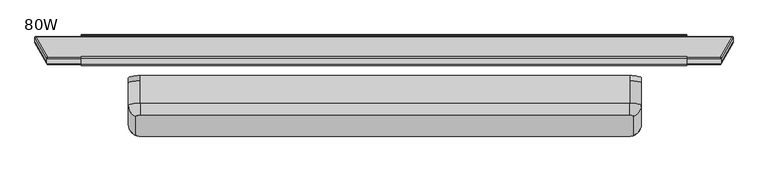
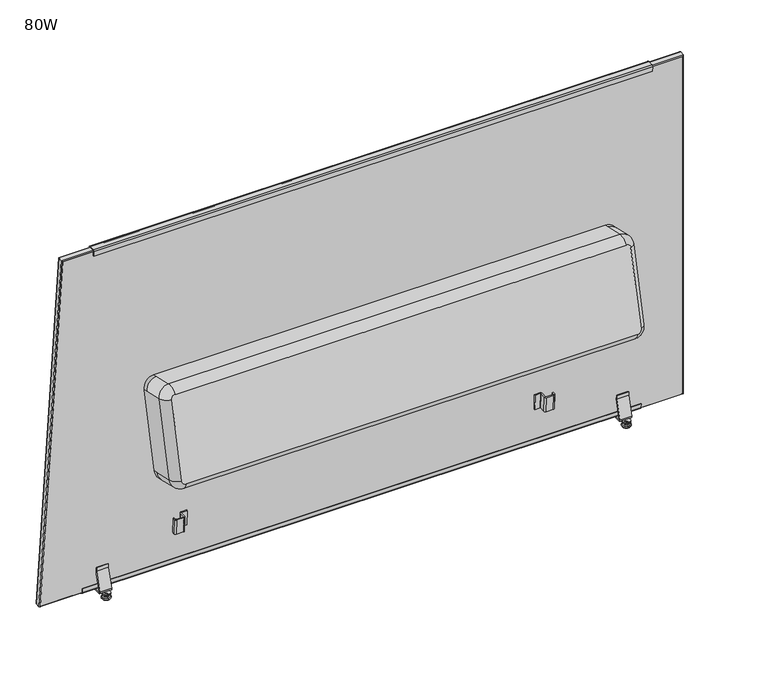
"""IFC4 building model written with IfcOpenShell, lengths in millimetres: furniture geometry, 80W."""

from ifc_helpers import new_model, si_unit, point, frame, frame_2d, origin, place, context, project, spatial, polyline, circle_curve, ellipse_curve, trimmed, segment, composite_curve, outline, extrude, source, transform, mapped, element, save
from ifc_brep_helpers import plane_surface, cylinder_surface, revolved_surface, advanced_brep


def furniture_80w_4e92a0e4(model_context):
    return source(origin(), model_context, "Body", "SolidModel", [
        extrude(outline(composite_curve([segment(polyline([(0.0, 2.7618542), (-8.1440729, 2.7618542), (-8.1440729, 5.809597), (-0.7084718, 5.809597)]), True, "CONTINUOUS"), segment(trimmed(circle_curve(frame_2d((-0.7084718, 0.6723218)), 5.1372751), [point((-0.7084718, 5.809597))], [point((4.4288032, 0.6723231))], False, "CARTESIAN"), True, "CONTINUOUS"), segment(polyline([(4.4288032, 0.6723231), (4.428809, -22.1894796)]), True, "CONTINUOUS"), segment(trimmed(circle_curve(frame_2d((-0.2870618, -22.1894808)), 4.7158708), [point((4.428809, -22.1894796))], [point((-0.2870618, -26.9053517))], False, "CARTESIAN"), True, "CONTINUOUS"), segment(polyline([(-0.2870618, -26.9053517), (-18.3514573, -26.9053517)]), True, "CONTINUOUS"), segment(trimmed(circle_curve(frame_2d((-18.3514573, -28.2553938)), 1.3500421), [point((-18.3514573, -26.9053517))], [point((-19.7014994, -28.2553941))], True, "CARTESIAN"), True, "CONTINUOUS"), segment(polyline([(-19.7014994, -28.2553941), (-19.7014948, -46.082609), (-22.7508969, -46.082609), (-22.7508969, -28.6619926)]), True, "CONTINUOUS"), segment(trimmed(circle_curve(frame_2d((-17.9462587, -28.6619926)), 4.8046382), [point((-22.7508969, -28.6619926))], [point((-17.9462587, -23.8573544))], False, "CARTESIAN"), True, "CONTINUOUS"), segment(polyline([(-17.9462587, -23.8573544), (0.0128467, -23.8573544)]), True, "CONTINUOUS"), segment(trimmed(circle_curve(frame_2d((0.0128467, -22.489268)), 1.3680864), [point((0.0128467, -23.8573544))], [point((1.3809331, -22.4892676))], True, "CARTESIAN"), True, "CONTINUOUS"), segment(polyline([(1.3809331, -22.4892676), (1.3809271, 1.3809275)]), True, "CONTINUOUS"), segment(trimmed(circle_curve(frame_2d((0.0, 1.3809271)), 1.3809271), [point((1.3809271, 1.3809275))], [point((0.0, 2.7618542))], True, "CARTESIAN"), True, "CONTINUOUS")], self_intersect=False)), frame((1590.6345165, -32.3737244, 144.3796724), z_axis=(0.0, -0.05233595624294945, 0.9986295347545736), x_axis=(0.0, -0.9986295347545736, -0.05233595624294945)), (0.0, 0.0, 1.0), 50.4083184),
        extrude(outline(composite_curve([segment(polyline([(0.0, 2.7618542), (-8.144073, 2.7618542), (-8.144073, 5.809597), (-0.7084719, 5.809597)]), True, "CONTINUOUS"), segment(trimmed(circle_curve(frame_2d((-0.7084719, 0.6723218)), 5.1372751), [point((-0.7084719, 5.809597))], [point((4.4288032, 0.6723231))], False, "CARTESIAN"), True, "CONTINUOUS"), segment(polyline([(4.4288032, 0.6723231), (4.428809, -22.1894719)]), True, "CONTINUOUS"), segment(trimmed(circle_curve(frame_2d((-0.2870619, -22.1894731)), 4.7158708), [point((4.428809, -22.1894719))], [point((-0.2870619, -26.9053439))], False, "CARTESIAN"), True, "CONTINUOUS"), segment(polyline([(-0.2870619, -26.9053439), (-30.2577073, -26.9053439)]), True, "CONTINUOUS"), segment(trimmed(circle_curve(frame_2d((-30.2577073, -28.255386)), 1.3500421), [point((-30.2577073, -26.9053439))], [point((-31.6077494, -28.2553863))], True, "CARTESIAN"), True, "CONTINUOUS"), segment(polyline([(-31.6077494, -28.2553863), (-31.6077448, -46.0826012), (-34.6571469, -46.0826012), (-34.6571469, -28.6619848)]), True, "CONTINUOUS"), segment(trimmed(circle_curve(frame_2d((-29.8525087, -28.6619848)), 4.8046382), [point((-34.6571469, -28.6619848))], [point((-29.8525087, -23.8573466))], False, "CARTESIAN"), True, "CONTINUOUS"), segment(polyline([(-29.8525087, -23.8573466), (0.0128467, -23.8573466)]), True, "CONTINUOUS"), segment(trimmed(circle_curve(frame_2d((0.0128467, -22.4892602)), 1.3680864), [point((0.0128467, -23.8573466))], [point((1.3809331, -22.4892599))], True, "CARTESIAN"), True, "CONTINUOUS"), segment(polyline([(1.3809331, -22.4892599), (1.380927, 1.3809275)]), True, "CONTINUOUS"), segment(trimmed(circle_curve(frame_2d((0.0, 1.3809271)), 1.3809271), [point((1.380927, 1.3809275))], [point((0.0, 2.7618542))], True, "CARTESIAN"), True, "CONTINUOUS")], self_intersect=False)), frame((1591.0313915, -51.2771859, 562.9379975), z_axis=(0.0, -0.08715574274766424, 0.996194698091745), x_axis=(0.0, -0.996194698091745, -0.08715574274766424)), (0.0, 0.0, 1.0), 51.1352235),
        extrude(outline(composite_curve([segment(trimmed(circle_curve(frame_2d((2.2023575, 23.9777383)), 4.6118092), [point((2.4039227, 19.3703361))], [point((-2.4031314, 23.7363749))], False, "CARTESIAN"), True, "CONTINUOUS"), segment(polyline([(-2.4031314, 23.7363749), (-3.1606988, 38.1916228), (-0.8769993, 38.3113064), (-0.1192392, 23.8523818)]), True, "CONTINUOUS"), segment(trimmed(circle_curve(frame_2d((2.1627609, 23.9719763)), 2.285132), [point((-0.1192392, 23.8523818))], [point((2.2823555, 21.689976))], True, "CARTESIAN"), True, "CONTINUOUS"), segment(polyline([(2.2823555, 21.689976), (18.7703484, 22.5540751)]), True, "CONTINUOUS"), segment(trimmed(circle_curve(frame_2d((18.6507538, 24.8360754)), 2.285132), [point((18.7703484, 22.5540751))], [point((20.9327541, 24.95567))], True, "CARTESIAN"), True, "CONTINUOUS"), segment(polyline([(20.9327541, 24.95567), (20.1749938, 39.4145946), (22.4585421, 39.5342703), (23.2162566, 25.0762164)]), True, "CONTINUOUS"), segment(trimmed(circle_curve(frame_2d((18.6526375, 24.800132)), 4.5719626), [point((23.2162566, 25.0762164))], [point((18.8919156, 20.2344351))], False, "CARTESIAN"), True, "CONTINUOUS"), segment(polyline([(18.8919156, 20.2344351), (2.4039227, 19.3703361)]), True, "CONTINUOUS")], self_intersect=False)), frame((91.8930192, 0.0, 0.0), z_axis=(1.0, 0.0, 0.0), x_axis=(0.0, 1.0, 0.0)), (0.0, 0.0, 1.0), 1801.5677456),
        extrude(outline(composite_curve([segment(trimmed(circle_curve(frame_2d((8.144073, 1.3809271)), 1.3809271), [point((8.144073, 0.0))], [point((9.525, 1.3809267))], True, "CARTESIAN"), True, "CONTINUOUS"), segment(polyline([(9.525, 1.3809267), (9.525006, 25.2511141)]), True, "CONTINUOUS"), segment(trimmed(circle_curve(frame_2d((8.1569196, 25.2511144)), 1.3680864), [point((9.525006, 25.2511141))], [point((8.1569196, 26.6192008))], True, "CARTESIAN"), True, "CONTINUOUS"), segment(polyline([(8.1569196, 26.6192008), (-21.7084358, 26.6192008)]), True, "CONTINUOUS"), segment(trimmed(circle_curve(frame_2d((-21.7084358, 31.423839)), 4.8046382), [point((-21.7084358, 26.6192008))], [point((-26.513074, 31.423839))], False, "CARTESIAN"), True, "CONTINUOUS"), segment(polyline([(-26.513074, 31.423839), (-26.513074, 48.8444554), (-23.4636719, 48.8444554), (-23.4636765, 31.0172405)]), True, "CONTINUOUS"), segment(trimmed(circle_curve(frame_2d((-22.1136344, 31.0172402)), 1.3500421), [point((-23.4636765, 31.0172405))], [point((-22.1136344, 29.6671981))], True, "CARTESIAN"), True, "CONTINUOUS"), segment(polyline([(-22.1136344, 29.6671981), (7.8570111, 29.6671981)]), True, "CONTINUOUS"), segment(trimmed(circle_curve(frame_2d((7.8570111, 24.9513273)), 4.7158708), [point((7.8570111, 29.6671981))], [point((12.5728819, 24.9513261))], False, "CARTESIAN"), True, "CONTINUOUS"), segment(polyline([(12.5728819, 24.9513261), (12.5728762, 2.0895311)]), True, "CONTINUOUS"), segment(trimmed(circle_curve(frame_2d((7.4356011, 2.0895324)), 5.1372751), [point((12.5728762, 2.0895311))], [point((7.4356011, -3.0477428))], False, "CARTESIAN"), True, "CONTINUOUS"), segment(polyline([(7.4356011, -3.0477428), (0.0, -3.0477428), (0.0, 0.0), (8.144073, 0.0)]), True, "CONTINUOUS")], self_intersect=False)), frame((373.9130043, -43.1641036, 563.6478002), z_axis=(0.0, -0.08715574274766426, 0.996194698091745), x_axis=(0.0, -0.996194698091745, -0.08715574274766426)), (0.0, 0.0, 1.0), 51.1352235),
        extrude(outline(composite_curve([segment(trimmed(circle_curve(frame_2d((8.1440729, 1.3809271)), 1.3809271), [point((8.1440729, 0.0))], [point((9.525, 1.3809267))], True, "CARTESIAN"), True, "CONTINUOUS"), segment(polyline([(9.525, 1.3809267), (9.525006, 25.2511218)]), True, "CONTINUOUS"), segment(trimmed(circle_curve(frame_2d((8.1569196, 25.2511222)), 1.3680864), [point((9.525006, 25.2511218))], [point((8.1569196, 26.6192086))], True, "CARTESIAN"), True, "CONTINUOUS"), segment(polyline([(8.1569196, 26.6192086), (-9.8021859, 26.6192086)]), True, "CONTINUOUS"), segment(trimmed(circle_curve(frame_2d((-9.8021859, 31.4238468)), 4.8046382), [point((-9.8021859, 26.6192086))], [point((-14.606824, 31.4238468))], False, "CARTESIAN"), True, "CONTINUOUS"), segment(polyline([(-14.606824, 31.4238468), (-14.606824, 48.8444632), (-11.5574219, 48.8444632), (-11.5574266, 31.0172483)]), True, "CONTINUOUS"), segment(trimmed(circle_curve(frame_2d((-10.2073845, 31.017248)), 1.3500421), [point((-11.5574266, 31.0172483))], [point((-10.2073845, 29.6672059))], True, "CARTESIAN"), True, "CONTINUOUS"), segment(polyline([(-10.2073845, 29.6672059), (7.8570111, 29.6672059)]), True, "CONTINUOUS"), segment(trimmed(circle_curve(frame_2d((7.8570111, 24.951335)), 4.7158708), [point((7.8570111, 29.6672059))], [point((12.5728819, 24.9513338))], False, "CARTESIAN"), True, "CONTINUOUS"), segment(polyline([(12.5728819, 24.9513338), (12.5728761, 2.0895311)]), True, "CONTINUOUS"), segment(trimmed(circle_curve(frame_2d((7.435601, 2.0895324)), 5.1372751), [point((12.5728761, 2.0895311))], [point((7.435601, -3.0477428))], False, "CARTESIAN"), True, "CONTINUOUS"), segment(polyline([(7.435601, -3.0477428), (0.0, -3.0477428), (0.0, 0.0), (8.1440729, 0.0)]), True, "CONTINUOUS")], self_intersect=False)), frame((373.9130043, -24.2408127, 144.8059002), z_axis=(0.0, -0.05233595624294945, 0.9986295347545736), x_axis=(0.0, -0.9986295347545736, -0.05233595624294945)), (0.0, 0.0, 1.0), 50.4083184),
        extrude(outline(composite_curve([segment(polyline([(18.5911719, 20.5975436), (18.5911719, 36.4727737), (22.0080176, 36.4727737), (22.0080176, 22.1226629)]), True, "CONTINUOUS"), segment(trimmed(circle_curve(frame_2d((17.0817223, 22.1226629)), 4.9262954), [point((22.0080176, 22.1226629))], [point((17.0817223, 17.1963676))], False, "CARTESIAN"), True, "CONTINUOUS"), segment(polyline([(17.0817223, 17.1963676), (-20.9377121, 17.1963676)]), True, "CONTINUOUS"), segment(trimmed(circle_curve(frame_2d((-20.9377121, 22.4139285)), 5.217561), [point((-20.9377121, 17.1963676))], [point((-25.9416036, 23.891769))], False, "CARTESIAN"), True, "CONTINUOUS"), segment(polyline([(-25.9416036, 23.891769), (-8.0168765, 84.5839696), (-8.0168765, 96.8063842), (-4.5957637, 96.8063842), (-4.5957637, 83.9990238), (-22.7108138, 22.6623993)]), True, "CONTINUOUS"), segment(trimmed(circle_curve(frame_2d((-21.1676183, 22.2066346)), 1.609091), [point((-22.7108138, 22.6623993))], [point((-21.1676183, 20.5975436))], True, "CARTESIAN"), True, "CONTINUOUS"), segment(polyline([(-21.1676183, 20.5975436), (18.5911719, 20.5975436)]), True, "CONTINUOUS")], self_intersect=False)), frame((1812.1384343, 0.0, 0.0), z_axis=(1.0, 0.0, 0.0), x_axis=(0.0, 1.0, 0.0)), (0.0, 0.0, 1.0), 38.1),
        extrude(outline(composite_curve([segment(polyline([(1821.7965171, -20.4707637), (1840.209581, -20.4707637)]), True, "CONTINUOUS"), segment(trimmed(circle_curve(frame_2d((1828.211079, -29.5612365)), 15.0532637), [point((1840.209581, -20.4707637))], [point((1841.2938431, -37.0071769))], False, "CARTESIAN"), True, "CONTINUOUS"), segment(polyline([(1841.2938431, -37.0071769), (1820.7122549, -37.0071769)]), True, "CONTINUOUS"), segment(trimmed(circle_curve(frame_2d((1833.7950191, -29.5612365)), 15.0532637), [point((1820.7122549, -37.0071769))], [point((1821.7965171, -20.4707637))], False, "CARTESIAN"), True, "CONTINUOUS")], self_intersect=False)), frame((0.0, 0.0, 13.858606), z_axis=(0.0, 0.0, 1.0), x_axis=(1.0, 0.0, 0.0)), (0.0, 0.0, 1.0), 3.3377616),
        advanced_brep(
        [(1831.1884343, -32.5853659, 13.858606), (1831.1884343, -24.7880793, 13.858606), (1831.1884343, -25.375017, 14.8752118), (1831.1884343, -31.9984282, 14.8752118), (1831.1884343, -36.6173395, 11.2402116), (1831.1884343, -20.7561056, 11.2402116), (1831.1884343, -36.6173395, 8.74896), (1831.1884343, -20.7561056, 8.74896), (1831.1884343, -35.0356704, 8.74896), (1831.1884343, -22.3377748, 8.74896), (1831.1884343, -39.8952895, 5.9432577), (1831.1884343, -17.4781557, 5.9432577), (1831.1884343, -43.0859452, 3.5556814), (1831.1884343, -14.2875, 3.5556814), (1831.1884343, -41.0330539, 0.0), (1831.1884343, -16.3403912, 0.0), (1831.1884343, -28.6867226, 0.0), (1831.1884343, -32.6380713, 17.1963676), (1831.1884343, -24.7353739, 17.1963676), (1831.1884343, -28.6867226, 17.1963676), (1831.1884343, -32.6380713, 15.514855), (1831.1884343, -24.7353739, 15.514855)],
        [
            (0, 1, circle_curve(frame((1831.1884343, -28.6867226, 13.858606), z_axis=(0.0, 0.0, 1.0), x_axis=(0.0, 1.0, 0.0)), 3.8986433)),
            (1, 2),
            (2, 3, circle_curve(frame((1831.1884343, -28.6867226, 14.8752118), z_axis=(0.0, 0.0, -1.0), x_axis=(0.0, 1.0, 0.0)), 3.3117056)),
            (3, 0),
            (1, 0, circle_curve(frame((1831.1884343, -28.6867226, 13.858606), z_axis=(0.0, 0.0, 1.0), x_axis=(0.0, 1.0, 0.0)), 3.8986433)),
            (3, 2, circle_curve(frame((1831.1884343, -28.6867226, 14.8752118), z_axis=(0.0, 0.0, -1.0), x_axis=(0.0, 1.0, 0.0)), 3.3117056)),
            (4, 5, circle_curve(frame((1831.1884343, -28.6867226, 11.2402116), z_axis=(0.0, 0.0, 1.0), x_axis=(0.0, 1.0, 0.0)), 7.930617)),
            (5, 1),
            (0, 4),
            (5, 4, circle_curve(frame((1831.1884343, -28.6867226, 11.2402116), z_axis=(0.0, 0.0, 1.0), x_axis=(0.0, 1.0, 0.0)), 7.930617)),
            (6, 7, circle_curve(frame((1831.1884343, -28.6867226, 8.74896), z_axis=(0.0, 0.0, 1.0), x_axis=(0.0, 1.0, 0.0)), 7.930617)),
            (7, 5),
            (4, 6),
            (7, 6, circle_curve(frame((1831.1884343, -28.6867226, 8.74896), z_axis=(0.0, 0.0, 1.0), x_axis=(0.0, 1.0, 0.0)), 7.930617)),
            (8, 9, circle_curve(frame((1831.1884343, -28.6867226, 8.74896), z_axis=(0.0, 0.0, 1.0), x_axis=(0.0, 1.0, 0.0)), 6.3489478)),
            (9, 7),
            (6, 8),
            (9, 8, circle_curve(frame((1831.1884343, -28.6867226, 8.74896), z_axis=(0.0, 0.0, 1.0), x_axis=(0.0, 1.0, 0.0)), 6.3489478)),
            (10, 11, circle_curve(frame((1831.1884343, -28.6867226, 5.9432577), z_axis=(0.0, 0.0, 1.0), x_axis=(0.0, 1.0, 0.0)), 11.2085669)),
            (11, 9, circle_curve(frame((1831.1884343, -17.8255298, 10.9529929), z_axis=(-1.0, 0.0, 0.0), x_axis=(0.0, -1.0, 0.0)), 5.0217642)),
            (8, 10, circle_curve(frame((1831.1884343, -39.5479154, 10.9529929), z_axis=(-1.0, 0.0, 0.0), x_axis=(0.0, 1.0, 0.0)), 5.0217642)),
            (11, 10, circle_curve(frame((1831.1884343, -28.6867226, 5.9432577), z_axis=(0.0, 0.0, 1.0), x_axis=(0.0, 1.0, 0.0)), 11.2085669)),
            (12, 13, circle_curve(frame((1831.1884343, -28.6867226, 3.5556814), z_axis=(0.0, 0.0, 1.0), x_axis=(0.0, 1.0, 0.0)), 14.3992226)),
            (13, 11, circle_curve(frame((1831.1884343, -17.2671075, 2.8995769), z_axis=(1.0, 0.0, 0.0), x_axis=(0.0, -1.0, 0.0)), 3.050989)),
            (10, 12, circle_curve(frame((1831.1884343, -40.1063377, 2.8995769), z_axis=(1.0, 0.0, 0.0), x_axis=(0.0, 1.0, 0.0)), 3.050989)),
            (13, 12, circle_curve(frame((1831.1884343, -28.6867226, 3.5556814), z_axis=(0.0, 0.0, 1.0), x_axis=(0.0, 1.0, 0.0)), 14.3992226)),
            (14, 15, circle_curve(frame((1831.1884343, -28.6867226, 0.0), z_axis=(0.0, 0.0, 1.0), x_axis=(0.0, 1.0, 0.0)), 12.3463313)),
            (15, 13),
            (12, 14),
            (15, 14, circle_curve(frame((1831.1884343, -28.6867226, 0.0), z_axis=(0.0, 0.0, 1.0), x_axis=(0.0, 1.0, 0.0)), 12.3463313)),
            (16, 15),
            (14, 16),
            (17, 18, circle_curve(frame((1831.1884343, -28.6867226, 17.1963676), z_axis=(0.0, 0.0, 1.0), x_axis=(0.0, 1.0, 0.0)), 3.9513487)),
            (18, 19),
            (19, 17),
            (18, 17, circle_curve(frame((1831.1884343, -28.6867226, 17.1963676), z_axis=(0.0, 0.0, 1.0), x_axis=(0.0, 1.0, 0.0)), 3.9513487)),
            (20, 21, circle_curve(frame((1831.1884343, -28.6867226, 15.514855), z_axis=(0.0, 0.0, 1.0), x_axis=(0.0, 1.0, 0.0)), 3.9513487)),
            (21, 18),
            (17, 20),
            (21, 20, circle_curve(frame((1831.1884343, -28.6867226, 15.514855), z_axis=(0.0, 0.0, 1.0), x_axis=(0.0, 1.0, 0.0)), 3.9513487)),
            (2, 21),
            (20, 3),
        ],
        [
            revolved_surface(polyline([(1831.1884343, -25.375017, 14.8752118), (1831.1884343, -24.7880793, 13.858606)]), (1831.1884343, -28.6867226, 0.0), (0.0, 0.0, -1.0)),
            revolved_surface(polyline([(1831.1884343, -24.7880793, 13.858606), (1831.1884343, -20.7561056, 11.2402116)]), (1831.1884343, -28.6867226, 0.0), (0.0, 0.0, -1.0)),
            cylinder_surface(frame((1831.1884343, -28.6867226, 0.0), z_axis=(0.0, 0.0, -1.0), x_axis=(0.0, 1.0, 0.0)), 7.930617),
            plane_surface(frame((1831.1884343, -28.6867226, 8.74896), z_axis=(0.0, 0.0, -1.0), x_axis=(0.0, 1.0, 0.0))),
            revolved_surface(trimmed(ellipse_curve(frame((1831.1884343, -17.8255298, 10.9529929), z_axis=(1.0, 0.0, 0.0), x_axis=(0.0, -1.0, 0.0)), 5.0217642, 5.0217642), [point((1831.1884343, -22.3377748, 8.74896))], [point((1831.1884343, -17.4781557, 5.9432577))], True, "CARTESIAN"), (1831.1884343, -28.6867226, 0.0), (0.0, 0.0, -1.0)),
            revolved_surface(trimmed(ellipse_curve(frame((1831.1884343, -17.2671075, 2.8995769), z_axis=(-1.0, 0.0, 0.0), x_axis=(0.0, -1.0, 0.0)), 3.050989, 3.050989), [point((1831.1884343, -17.4781557, 5.9432577))], [point((1831.1884343, -14.2875, 3.5556814))], True, "CARTESIAN"), (1831.1884343, -28.6867226, 0.0), (0.0, 0.0, -1.0)),
            revolved_surface(polyline([(1831.1884343, -14.2875, 3.5556814), (1831.1884343, -16.3403912, 0.0)]), (1831.1884343, -28.6867226, 0.0), (0.0, 0.0, -1.0)),
            plane_surface(frame((1831.1884343, -28.6867226, 0.0), z_axis=(0.0, 0.0, -1.0), x_axis=(0.0, 1.0, 0.0))),
            plane_surface(frame((1831.1884343, -28.6867226, 17.1963676), z_axis=(0.0, 0.0, 1.0), x_axis=(0.0, 1.0, 0.0))),
            cylinder_surface(frame((1831.1884343, -28.6867226, 0.0), z_axis=(0.0, 0.0, -1.0), x_axis=(0.0, 1.0, 0.0)), 3.9513487),
            revolved_surface(polyline([(1831.1884343, -24.7353739, 15.514855), (1831.1884343, -25.375017, 14.8752118)]), (1831.1884343, -28.6867226, 0.0), (0.0, 0.0, -1.0)),
        ],
        [
            (0, [[1, 2, 3, 4]]),
            (0, [[5, -4, 6, -2]]),
            (1, [[7, 8, -1, 9]]),
            (1, [[10, -9, -5, -8]]),
            (2, [[11, 12, -7, 13]]),
            (2, [[14, -13, -10, -12]]),
            (3, [[15, 16, -11, 17]]),
            (3, [[18, -17, -14, -16]]),
            (4, [[19, 20, -15, 21]]),
            (4, [[22, -21, -18, -20]]),
            (5, [[23, 24, -19, 25]]),
            (5, [[26, -25, -22, -24]]),
            (6, [[27, 28, -23, 29]]),
            (6, [[30, -29, -26, -28]]),
            (7, [[31, -27, 32]]),
            (7, [[-32, -30, -31]]),
            (8, [[33, 34, 35]]),
            (8, [[36, -35, -34]]),
            (9, [[37, 38, -33, 39]]),
            (9, [[40, -39, -36, -38]]),
            (10, [[-3, 41, -37, 42]]),
            (10, [[-6, -42, -40, -41]]),
        ],
    ),
        extrude(outline(composite_curve([segment(trimmed(circle_curve(frame_2d((152.1175152, -29.1501327)), 15.0532637), [point((164.1160172, -20.0596599))], [point((165.2002794, -36.5960731))], False, "CARTESIAN"), True, "CONTINUOUS"), segment(polyline([(165.2002794, -36.5960731), (144.6186912, -36.5960731)]), True, "CONTINUOUS"), segment(trimmed(circle_curve(frame_2d((157.7014553, -29.1501327)), 15.0532637), [point((144.6186912, -36.5960731))], [point((145.7029533, -20.0596599))], False, "CARTESIAN"), True, "CONTINUOUS"), segment(polyline([(145.7029533, -20.0596599), (164.1160172, -20.0596599)]), True, "CONTINUOUS")], self_intersect=False)), frame((0.0, 0.0, 13.858606), z_axis=(0.0, 0.0, 1.0), x_axis=(1.0, 0.0, 0.0)), (0.0, 0.0, 1.0), 3.3377616),
        advanced_brep(
        [(154.3235293, -32.5853659, 13.858606), (154.3235293, -24.7880793, 13.858606), (154.3235293, -25.375017, 14.8752118), (154.3235293, -31.9984282, 14.8752118), (154.3235293, -36.6173395, 11.2402116), (154.3235293, -20.7561056, 11.2402116), (154.3235293, -36.6173395, 8.74896), (154.3235293, -20.7561056, 8.74896), (154.3235293, -35.0356704, 8.74896), (154.3235293, -22.3377748, 8.74896), (154.3235293, -39.8952895, 5.9432577), (154.3235293, -17.4781557, 5.9432577), (154.3235293, -43.0859452, 3.5556814), (154.3235293, -14.2875, 3.5556814), (154.3235293, -41.0330539, 0.0), (154.3235293, -16.3403912, 0.0), (154.3235293, -28.6867226, 0.0), (154.3235293, -32.6380713, 17.1963676), (154.3235293, -24.7353739, 17.1963676), (154.3235293, -28.6867226, 17.1963676), (154.3235293, -32.6380713, 15.514855), (154.3235293, -24.7353739, 15.514855)],
        [
            (0, 1, circle_curve(frame((154.3235293, -28.6867226, 13.858606), z_axis=(0.0, 0.0, 1.0), x_axis=(0.0, 1.0, 0.0)), 3.8986433)),
            (1, 2),
            (2, 3, circle_curve(frame((154.3235293, -28.6867226, 14.8752118), z_axis=(0.0, 0.0, -1.0), x_axis=(0.0, 1.0, 0.0)), 3.3117056)),
            (3, 0),
            (1, 0, circle_curve(frame((154.3235293, -28.6867226, 13.858606), z_axis=(0.0, 0.0, 1.0), x_axis=(0.0, 1.0, 0.0)), 3.8986433)),
            (3, 2, circle_curve(frame((154.3235293, -28.6867226, 14.8752118), z_axis=(0.0, 0.0, -1.0), x_axis=(0.0, 1.0, 0.0)), 3.3117056)),
            (4, 5, circle_curve(frame((154.3235293, -28.6867226, 11.2402116), z_axis=(0.0, 0.0, 1.0), x_axis=(0.0, 1.0, 0.0)), 7.930617)),
            (5, 1),
            (0, 4),
            (5, 4, circle_curve(frame((154.3235293, -28.6867226, 11.2402116), z_axis=(0.0, 0.0, 1.0), x_axis=(0.0, 1.0, 0.0)), 7.930617)),
            (6, 7, circle_curve(frame((154.3235293, -28.6867226, 8.74896), z_axis=(0.0, 0.0, 1.0), x_axis=(0.0, 1.0, 0.0)), 7.930617)),
            (7, 5),
            (4, 6),
            (7, 6, circle_curve(frame((154.3235293, -28.6867226, 8.74896), z_axis=(0.0, 0.0, 1.0), x_axis=(0.0, 1.0, 0.0)), 7.930617)),
            (8, 9, circle_curve(frame((154.3235293, -28.6867226, 8.74896), z_axis=(0.0, 0.0, 1.0), x_axis=(0.0, 1.0, 0.0)), 6.3489478)),
            (9, 7),
            (6, 8),
            (9, 8, circle_curve(frame((154.3235293, -28.6867226, 8.74896), z_axis=(0.0, 0.0, 1.0), x_axis=(0.0, 1.0, 0.0)), 6.3489478)),
            (10, 11, circle_curve(frame((154.3235293, -28.6867226, 5.9432577), z_axis=(0.0, 0.0, 1.0), x_axis=(0.0, 1.0, 0.0)), 11.2085669)),
            (11, 9, circle_curve(frame((154.3235293, -17.8255298, 10.9529929), z_axis=(-1.0, 0.0, 0.0), x_axis=(0.0, -1.0, 0.0)), 5.0217642)),
            (8, 10, circle_curve(frame((154.3235293, -39.5479154, 10.9529929), z_axis=(-1.0, 0.0, 0.0), x_axis=(0.0, 1.0, 0.0)), 5.0217642)),
            (11, 10, circle_curve(frame((154.3235293, -28.6867226, 5.9432577), z_axis=(0.0, 0.0, 1.0), x_axis=(0.0, 1.0, 0.0)), 11.2085669)),
            (12, 13, circle_curve(frame((154.3235293, -28.6867226, 3.5556814), z_axis=(0.0, 0.0, 1.0), x_axis=(0.0, 1.0, 0.0)), 14.3992226)),
            (13, 11, circle_curve(frame((154.3235293, -17.2671075, 2.8995769), z_axis=(1.0, 0.0, 0.0), x_axis=(0.0, -1.0, 0.0)), 3.050989)),
            (10, 12, circle_curve(frame((154.3235293, -40.1063377, 2.8995769), z_axis=(1.0, 0.0, 0.0), x_axis=(0.0, 1.0, 0.0)), 3.050989)),
            (13, 12, circle_curve(frame((154.3235293, -28.6867226, 3.5556814), z_axis=(0.0, 0.0, 1.0), x_axis=(0.0, 1.0, 0.0)), 14.3992226)),
            (14, 15, circle_curve(frame((154.3235293, -28.6867226, 0.0), z_axis=(0.0, 0.0, 1.0), x_axis=(0.0, 1.0, 0.0)), 12.3463313)),
            (15, 13),
            (12, 14),
            (15, 14, circle_curve(frame((154.3235293, -28.6867226, 0.0), z_axis=(0.0, 0.0, 1.0), x_axis=(0.0, 1.0, 0.0)), 12.3463313)),
            (16, 15),
            (14, 16),
            (17, 18, circle_curve(frame((154.3235293, -28.6867226, 17.1963676), z_axis=(0.0, 0.0, 1.0), x_axis=(0.0, 1.0, 0.0)), 3.9513487)),
            (18, 19),
            (19, 17),
            (18, 17, circle_curve(frame((154.3235293, -28.6867226, 17.1963676), z_axis=(0.0, 0.0, 1.0), x_axis=(0.0, 1.0, 0.0)), 3.9513487)),
            (20, 21, circle_curve(frame((154.3235293, -28.6867226, 15.514855), z_axis=(0.0, 0.0, 1.0), x_axis=(0.0, 1.0, 0.0)), 3.9513487)),
            (21, 18),
            (17, 20),
            (21, 20, circle_curve(frame((154.3235293, -28.6867226, 15.514855), z_axis=(0.0, 0.0, 1.0), x_axis=(0.0, 1.0, 0.0)), 3.9513487)),
            (2, 21),
            (20, 3),
        ],
        [
            revolved_surface(polyline([(154.3235293, -25.375017, 14.8752118), (154.3235293, -24.7880793, 13.858606)]), (154.3235293, -28.6867226, 0.0), (0.0, 0.0, -1.0)),
            revolved_surface(polyline([(154.3235293, -24.7880793, 13.858606), (154.3235293, -20.7561056, 11.2402116)]), (154.3235293, -28.6867226, 0.0), (0.0, 0.0, -1.0)),
            cylinder_surface(frame((154.3235293, -28.6867226, 0.0), z_axis=(0.0, 0.0, -1.0), x_axis=(0.0, 1.0, 0.0)), 7.930617),
            plane_surface(frame((154.3235293, -28.6867226, 8.74896), z_axis=(0.0, 0.0, -1.0), x_axis=(0.0, 1.0, 0.0))),
            revolved_surface(trimmed(ellipse_curve(frame((154.3235293, -17.8255298, 10.9529929), z_axis=(1.0, 0.0, 0.0), x_axis=(0.0, -1.0, 0.0)), 5.0217642, 5.0217642), [point((154.3235293, -22.3377748, 8.74896))], [point((154.3235293, -17.4781557, 5.9432577))], True, "CARTESIAN"), (154.3235293, -28.6867226, 0.0), (0.0, 0.0, -1.0)),
            revolved_surface(trimmed(ellipse_curve(frame((154.3235293, -17.2671075, 2.8995769), z_axis=(-1.0, 0.0, 0.0), x_axis=(0.0, -1.0, 0.0)), 3.050989, 3.050989), [point((154.3235293, -17.4781557, 5.9432577))], [point((154.3235293, -14.2875, 3.5556814))], True, "CARTESIAN"), (154.3235293, -28.6867226, 0.0), (0.0, 0.0, -1.0)),
            revolved_surface(polyline([(154.3235293, -14.2875, 3.5556814), (154.3235293, -16.3403912, 0.0)]), (154.3235293, -28.6867226, 0.0), (0.0, 0.0, -1.0)),
            plane_surface(frame((154.3235293, -28.6867226, 0.0), z_axis=(0.0, 0.0, -1.0), x_axis=(0.0, 1.0, 0.0))),
            plane_surface(frame((154.3235293, -28.6867226, 17.1963676), z_axis=(0.0, 0.0, 1.0), x_axis=(0.0, 1.0, 0.0))),
            cylinder_surface(frame((154.3235293, -28.6867226, 0.0), z_axis=(0.0, 0.0, -1.0), x_axis=(0.0, 1.0, 0.0)), 3.9513487),
            revolved_surface(polyline([(154.3235293, -24.7353739, 15.514855), (154.3235293, -25.375017, 14.8752118)]), (154.3235293, -28.6867226, 0.0), (0.0, 0.0, -1.0)),
        ],
        [
            (0, [[1, 2, 3, 4]]),
            (0, [[5, -4, 6, -2]]),
            (1, [[7, 8, -1, 9]]),
            (1, [[10, -9, -5, -8]]),
            (2, [[11, 12, -7, 13]]),
            (2, [[14, -13, -10, -12]]),
            (3, [[15, 16, -11, 17]]),
            (3, [[18, -17, -14, -16]]),
            (4, [[19, 20, -15, 21]]),
            (4, [[22, -21, -18, -20]]),
            (5, [[23, 24, -19, 25]]),
            (5, [[26, -25, -22, -24]]),
            (6, [[27, 28, -23, 29]]),
            (6, [[30, -29, -26, -28]]),
            (7, [[31, -27, 32]]),
            (7, [[-32, -30, -31]]),
            (8, [[33, 34, 35]]),
            (8, [[36, -35, -34]]),
            (9, [[37, 38, -33, 39]]),
            (9, [[40, -39, -36, -38]]),
            (10, [[-3, 41, -37, 42]]),
            (10, [[-6, -42, -40, -41]]),
        ],
    ),
        extrude(outline(composite_curve([segment(polyline([(18.5911719, 20.5975436), (18.5911719, 36.4727737), (22.0080176, 36.4727737), (22.0080176, 22.1226629)]), True, "CONTINUOUS"), segment(trimmed(circle_curve(frame_2d((17.0817223, 22.1226629)), 4.9262954), [point((22.0080176, 22.1226629))], [point((17.0817223, 17.1963676))], False, "CARTESIAN"), True, "CONTINUOUS"), segment(polyline([(17.0817223, 17.1963676), (-20.9377121, 17.1963676)]), True, "CONTINUOUS"), segment(trimmed(circle_curve(frame_2d((-20.9377121, 22.4139285)), 5.217561), [point((-20.9377121, 17.1963676))], [point((-25.9416036, 23.891769))], False, "CARTESIAN"), True, "CONTINUOUS"), segment(polyline([(-25.9416036, 23.891769), (-8.0168765, 84.5839696), (-8.0168765, 96.8063842), (-4.5957637, 96.8063842), (-4.5957637, 83.9990238), (-22.7108138, 22.6623993)]), True, "CONTINUOUS"), segment(trimmed(circle_curve(frame_2d((-21.1676183, 22.2066346)), 1.609091), [point((-22.7108138, 22.6623993))], [point((-21.1676183, 20.5975436))], True, "CARTESIAN"), True, "CONTINUOUS"), segment(polyline([(-21.1676183, 20.5975436), (18.5911719, 20.5975436)]), True, "CONTINUOUS")], self_intersect=False)), frame((135.2735293, 0.0, 0.0), z_axis=(1.0, 0.0, 0.0), x_axis=(0.0, 1.0, 0.0)), (0.0, 0.0, 1.0), 38.1),
        extrude(outline(composite_curve([segment(polyline([(-63.475146, 1229.5989299), (-46.9871532, 1230.463029)]), True, "CONTINUOUS"), segment(trimmed(circle_curve(frame_2d((-46.7478751, 1225.8973321)), 4.5719626), [point((-46.9871532, 1230.463029))], [point((-42.1803973, 1226.0997882))], False, "CARTESIAN"), True, "CONTINUOUS"), segment(polyline([(-42.1803973, 1226.0997882), (-41.4226828, 1211.6417343), (-43.7062311, 1211.5220586), (-44.4639911, 1225.9809832)]), True, "CONTINUOUS"), segment(trimmed(circle_curve(frame_2d((-46.7459914, 1225.8613887)), 2.285132), [point((-44.4639911, 1225.9809832))], [point((-46.865586, 1228.143389))], True, "CARTESIAN"), True, "CONTINUOUS"), segment(polyline([(-46.865586, 1228.143389), (-63.3535789, 1227.2792899)]), True, "CONTINUOUS"), segment(trimmed(circle_curve(frame_2d((-63.2339843, 1224.9972896)), 2.285132), [point((-63.3535789, 1227.2792899))], [point((-65.5159846, 1224.877695))], True, "CARTESIAN"), True, "CONTINUOUS"), segment(polyline([(-65.5159846, 1224.877695), (-64.7582243, 1210.4187704), (-67.0419238, 1210.2990868), (-67.7994912, 1224.7543347)]), True, "CONTINUOUS"), segment(trimmed(circle_curve(frame_2d((-63.1940023, 1224.9956981)), 4.6118092), [point((-67.7994912, 1224.7543347))], [point((-63.475146, 1229.5989299))], False, "CARTESIAN"), True, "CONTINUOUS")], self_intersect=False)), frame((91.8930192, 0.0, 0.0), z_axis=(1.0, 0.0, 0.0), x_axis=(0.0, 1.0, 0.0)), (0.0, 0.0, 1.0), 1801.5677456),
        advanced_brep(
        [(-6.742614, -44.6672588, 1225.2689204), (-6.742614, -65.1156961, 1224.1903951), (-42.396106, -1.8447546, 24.5970332), (-42.396106, 18.6036827, 25.6755586), (-9.6543409, -47.7849773, 1228.1080801), (-7.5305641, -44.7100105, 1226.0794775), (-43.2322377, 18.6464344, 24.865002), (-45.4858794, 15.8019268, 22.5241861), (-9.6543409, -62.2608571, 1227.3445692), (-45.4858794, 1.3260469, 21.7606753), (-7.5734892, -65.1607768, 1225.0451088), (-43.2777876, -1.7996739, 23.74232), (2027.8733002, -1.8447214, 24.5964042), (2027.8733002, 18.6037159, 25.6749296), (2028.7094314, 18.6464676, 24.8643725), (2030.9630718, 15.8019601, 22.5235553), (2030.9630718, 1.3260802, 21.7600445), (2028.7549813, -1.7996407, 23.7416905), (1992.2205349, -65.1156604, 1224.1897178), (1992.2205349, -44.667223, 1225.2682431), (1993.0084855, -44.7099748, 1226.0787997), (1995.1322636, -47.7849414, 1228.1074008), (1995.1322636, -62.2608213, 1227.3438899), (1993.0514106, -65.1607411, 1225.044431)],
        [
            (0, 1),
            (1, 2),
            (2, 3),
            (3, 0),
            (4, 5, ellipse_curve(frame((-6.643515, -47.6216191, 1225.0108709), z_axis=(-0.717519106109834, 0.03668701094488624, -0.6955719916696435), x_axis=(-0.6965388233022944, -0.037792051811578825, 0.7165231527679521)), 4.3225528, 3.1015132)),
            (5, 6),
            (6, 7, ellipse_curve(frame((-42.2909473, 15.6385688, 25.6213933), z_axis=(-0.6965388358903526, -0.03779205116794686, 0.7165231405649308), x_axis=(0.7175190938898506, -0.03668701160790489, 0.6955720042402291)), 4.4527485, 3.1015132)),
            (7, 4),
            (8, 4),
            (7, 9),
            (9, 8),
            (10, 8, ellipse_curve(frame((-6.552783, -62.0925762, 1224.1540248), z_axis=(-0.717519106109834, 0.03668701094488624, -0.6955719916696435), x_axis=(-0.6965388233022944, -0.037792051811578825, 0.7165231527679521)), 4.4528141, 3.1949781)),
            (9, 11, ellipse_curve(frame((-42.1946672, 1.1577661, 24.9512176), z_axis=(-0.6965388358903526, -0.03779205116794686, 0.7165231405649308), x_axis=(0.7175190938898506, -0.03668701160790489, 0.6955720042402291)), 4.5869332, 3.1949781)),
            (11, 10),
            (2, 12),
            (12, 13),
            (13, 3),
            (6, 14),
            (14, 15, ellipse_curve(frame((2027.7681416, 15.6386019, 25.6207645), z_axis=(-0.6965392705807858, 0.037792028942053815, -0.7165227191703204), x_axis=(-0.7175186719095099, -0.036687034503244155, 0.6955724383272895)), 4.4527485, 3.1015132)),
            (15, 7),
            (15, 16),
            (16, 9),
            (16, 17, ellipse_curve(frame((2027.6718616, 1.1577992, 24.9505888), z_axis=(-0.6965392705807858, 0.037792028942053815, -0.7165227191703204), x_axis=(-0.7175186719095099, -0.036687034503244155, 0.6955724383272895)), 4.5869332, 3.1949781)),
            (17, 11),
            (12, 18),
            (18, 19),
            (19, 13),
            (14, 20),
            (20, 21, ellipse_curve(frame((1992.1214359, -47.6215834, 1225.0101936), z_axis=(0.717518659689519, 0.036687035166262386, -0.6955724508978671), x_axis=(-0.6965392831688364, 0.03779202829842144, -0.7165227069672914)), 4.3225527, 3.1015132)),
            (21, 15),
            (21, 22),
            (22, 16),
            (22, 23, ellipse_curve(frame((1992.0307038, -62.0925404, 1224.1533476), z_axis=(0.717518659689519, 0.036687035166262386, -0.6955724508978671), x_axis=(-0.6965392831688364, 0.03779202829842144, -0.7165227069672914)), 4.4528139, 3.1949781)),
            (23, 17),
            (18, 1),
            (0, 19),
            (5, 20),
            (4, 21),
            (8, 22),
            (10, 23),
        ],
        [
            plane_surface(frame((-6.742614, -65.1156961, 1224.1903951), z_axis=(0.9995598377994588, 0.0015625739365209303, -0.029625816799079996), x_axis=(-0.029666996112173962, 0.05264726312822117, -0.9981723974478498))),
            cylinder_surface(frame((-6.6405749, -47.6268367, 1225.1097943), z_axis=(0.02966699611217451, -0.05264726312822118, 0.9981723974478498), x_axis=(0.9995598377994588, 0.001562573936523965, -0.029625816799080384)), 3.1015132),
            plane_surface(frame((-9.6543409, -47.7849773, 1228.1080801), z_axis=(-0.9995598377994588, -0.0015625739365234858, 0.029625816799079815), x_axis=(-0.029666996112173917, 0.05264726312822118, -0.9981723974478498))),
            cylinder_surface(frame((-6.5471511, -62.1025705, 1224.3435145), z_axis=(0.02966699611217451, -0.05264726312822118, 0.9981723974478498), x_axis=(0.9995598377994588, 0.001562573936523965, -0.029625816799080384)), 3.1949781),
            plane_surface(frame((-42.396106, -1.8447546, 24.5970332), z_axis=(3.0421475510617615e-07, -0.052670446667930595, 0.9986119486806216), x_axis=(0.9999999999999538, 1.6023127035252725e-08, -3.037924894139466e-07))),
            cylinder_surface(frame((-42.3961118, 15.6385688, 25.6213934), z_axis=(-0.9999999999999538, -1.6023127055221143e-08, 3.03792489808425e-07), x_axis=(3.042147555011587e-07, -0.052670446667927605, 0.9986119486806218)), 3.1015132),
            plane_surface(frame((-45.4858794, 15.8019268, 22.5241861), z_axis=(-3.042147550737079e-07, 0.05267044666792804, -0.9986119486806218), x_axis=(0.9999999999999538, 1.602312703302297e-08, -3.0379248938155083e-07))),
            cylinder_surface(frame((-42.3961118, 1.1577661, 24.9512177), z_axis=(-0.9999999999999538, -1.6023127055221143e-08, 3.03792489808425e-07), x_axis=(3.042147555011587e-07, -0.052670446667927605, 0.9986119486806218)), 3.1949781),
            plane_surface(frame((2027.8733002, -1.8447214, 24.5964042), z_axis=(-0.9995598556949801, 0.0015625421786780566, -0.029625214682269464), x_axis=(-0.029666393158432693, -0.05264726407078628, 0.9981724153185312))),
            cylinder_surface(frame((2027.7712614, 15.6441386, 25.5157921), z_axis=(0.029666393158432475, 0.05264726407078628, -0.9981724153185313), x_axis=(-0.9995598556949802, 0.0015625421786810416, -0.029625214682269085)), 3.1015132),
            plane_surface(frame((2030.9630718, 15.8019601, 22.5235553), z_axis=(0.9995598556949802, -0.0015625421786806004, 0.02962521468226917), x_axis=(-0.02966639315843253, -0.05264726407078627, 0.9981724153185312))),
            cylinder_surface(frame((2027.6778377, 1.1684047, 24.7495124), z_axis=(0.029666393158432475, 0.05264726407078628, -0.9981724153185313), x_axis=(-0.9995598556949802, 0.0015625421786810416, -0.029625214682269085)), 3.1949781),
            plane_surface(frame((1992.2205349, -65.1156604, 1224.1897178), z_axis=(-3.393024855375486e-07, 0.05267044666792397, -0.9986119486806107), x_axis=(-0.9999999999999425, -1.787121346451847e-08, 3.3883151627507137e-07))),
            plane_surface(frame((1992.2205349, -44.667223, 1225.2682431), z_axis=(0.0, 0.998611948680668, 0.05267044666793121), x_axis=(-0.9999999999999425, -1.7871213460286326e-08, 3.3883151627507137e-07))),
            cylinder_surface(frame((1992.2205404, -47.6215834, 1225.0101936), z_axis=(0.9999999999999424, 1.7871213465048693e-08, -3.38831516467176e-07), x_axis=(-3.3930248572941447e-07, 0.05267044666792695, -0.9986119486806103)), 3.1015132),
            plane_surface(frame((1995.1322636, -47.7849414, 1228.1074008), z_axis=(3.393024854689892e-07, -0.05267044666792651, 0.9986119486806104), x_axis=(-0.9999999999999425, -1.7871213473340034e-08, 3.3883151620595147e-07))),
            cylinder_surface(frame((1992.2205404, -62.0925404, 1224.1533476), z_axis=(0.9999999999999424, 1.7871213465048693e-08, -3.38831516467176e-07), x_axis=(-3.3930248572941447e-07, 0.05267044666792695, -0.9986119486806103)), 3.1949781),
            plane_surface(frame((1993.0514106, -65.1607411, 1225.044431), z_axis=(0.0, -0.9986119486806683, -0.05267044666792711), x_axis=(-0.9999999999999425, -1.7871213472457726e-08, 3.388315163950438e-07))),
        ],
        [
            (0, [[1, 2, 3, 4]]),
            (1, [[5, 6, 7, 8]]),
            (2, [[9, -8, 10, 11]]),
            (3, [[12, -11, 13, 14]]),
            (4, [[-3, 15, 16, 17]]),
            (5, [[-7, 18, 19, 20]]),
            (6, [[-10, -20, 21, 22]]),
            (7, [[-13, -22, 23, 24]]),
            (8, [[-16, 25, 26, 27]]),
            (9, [[-19, 28, 29, 30]]),
            (10, [[-21, -30, 31, 32]]),
            (11, [[-23, -32, 33, 34]]),
            (12, [[-26, 35, -1, 36]]),
            (13, [[37, -28, -18, -6], [-17, -27, -36, -4]]),
            (14, [[-29, -37, -5, 38]]),
            (15, [[-31, -38, -9, 39]]),
            (16, [[-33, -39, -12, 40]]),
            (17, [[-24, -34, -40, -14], [-35, -25, -15, -2]]),
        ],
    ),
        extrude(outline(polyline([(-1998.9631599, 1e-07), (0.0, 0.0), (35.6530848, -1201.260797), (-2034.6163332, -1201.2607243), (-1998.9631599, 1e-07)])), frame((-6.7426195, -64.4339648, 1224.2263419), z_axis=(0.0, 0.9986711709448152, 0.05153535023371689), x_axis=(-0.9999999999999425, -1.7486072670655695e-08, 3.3885161525117235e-07)), (0.0, 0.0, 1.0), 19.7941724),
        advanced_brep(
        [(267.5846752, -217.2921337, 767.8572736), (254.8846752, -220.1490121, 755.4827738), (254.8846752, -276.0967018, 513.1467057), (267.5846752, -278.9535802, 500.7722059), (1723.0725, -278.9535802, 500.7722059), (1735.7725, -276.0967018, 513.1467057), (1735.7725, -220.1490121, 755.4827738), (1723.0725, -217.2921337, 767.8572736), (267.5846752, -98.3553775, 763.566931), (1723.0725, -98.3553775, 763.566931), (1758.3470673, -106.2904287, 729.1964486), (1758.3470673, -162.2381183, 486.8603805), (1723.0725, -170.1731694, 452.4898981), (267.5846752, -170.1731694, 452.4898981), (232.3101079, -162.2381183, 486.8603805), (232.3101079, -106.2904287, 729.1964486), (267.5846752, -113.2061417, 766.9955001), (267.5846752, -179.8740623, 782.3870023), (1723.0725, -179.8740623, 782.3870023), (1723.0725, -113.2061417, 766.9955001), (1758.3470673, -121.1411928, 732.6250176), (1758.3470673, -187.8091134, 748.0165199), (1758.3470673, -243.7568031, 505.6804518), (1758.3470673, -177.0888824, 490.2889496), (1723.0725, -185.0239336, 455.9184671), (1723.0725, -251.6918542, 471.3099694), (267.5846752, -251.6918542, 471.3099694), (267.5846752, -185.0239336, 455.9184671), (232.3101079, -177.0888824, 490.2889496), (232.3101079, -243.7568031, 505.6804518), (232.3101079, -187.8091134, 748.0165199), (232.3101079, -121.1411928, 732.6250176)],
        [
            (0, 1, circle_curve(frame((267.5846752, -220.1490121, 755.4827738), z_axis=(0.0, -0.9743700647852357, 0.22495105434386325), x_axis=(0.0, 0.22495105434386325, 0.9743700647852357)), 12.7)),
            (1, 2),
            (2, 3, circle_curve(frame((267.5846752, -276.0967018, 513.1467057), z_axis=(0.0, -0.9743700647852357, 0.22495105434386325), x_axis=(-1.0000000000000002, 0.0, 0.0)), 12.7)),
            (3, 4),
            (4, 5, circle_curve(frame((1723.0725, -276.0967018, 513.1467057), z_axis=(0.0, -0.9743700647852357, 0.22495105434386325), x_axis=(0.0, -0.22495105434386325, -0.9743700647852357)), 12.7)),
            (5, 6),
            (6, 7, circle_curve(frame((1723.0725, -220.1490121, 755.4827738), z_axis=(0.0, -0.9743700647852357, 0.22495105434386325), x_axis=(1.0, 0.0, 0.0)), 12.7)),
            (7, 0),
            (8, 9),
            (9, 10, circle_curve(frame((1723.0725, -106.2904287, 729.1964486), z_axis=(0.0, 0.9743700647852356, -0.22495105434386362), x_axis=(-1.0, 0.0, 0.0)), 35.2745673)),
            (10, 11),
            (11, 12, circle_curve(frame((1723.0725, -162.2381183, 486.8603805), z_axis=(0.0, 0.9743700647852356, -0.22495105434386362), x_axis=(-1.0, 0.0, 0.0)), 35.2745673)),
            (12, 13),
            (13, 14, circle_curve(frame((267.5846752, -162.2381183, 486.8603805), z_axis=(0.0, 0.9743700647852356, -0.2249510543438635), x_axis=(-1.0, 0.0, 0.0)), 35.2745673)),
            (14, 15),
            (15, 8, circle_curve(frame((267.5846752, -106.2904287, 729.1964486), z_axis=(0.0, 0.9743700647852356, -0.2249510543438635), x_axis=(-1.0, 0.0, 0.0)), 35.2745673)),
            (8, 16),
            (16, 17),
            (17, 18),
            (18, 19),
            (19, 9),
            (19, 20, circle_curve(frame((1723.0725, -121.1411928, 732.6250176), z_axis=(0.0, 0.9743700647852356, -0.22495105434386362), x_axis=(-1.0, 0.0, 0.0)), 35.2745673)),
            (20, 10),
            (20, 21),
            (21, 22),
            (22, 23),
            (23, 11),
            (23, 24, circle_curve(frame((1723.0725, -177.0888824, 490.2889496), z_axis=(0.0, 0.9743700647852356, -0.22495105434386362), x_axis=(-1.0, 0.0, 0.0)), 35.2745673)),
            (24, 12),
            (24, 25),
            (25, 26),
            (26, 27),
            (27, 13),
            (27, 28, circle_curve(frame((267.5846752, -177.0888824, 490.2889496), z_axis=(0.0, 0.9743700647852356, -0.2249510543438635), x_axis=(-1.0, 0.0, 0.0)), 35.2745673)),
            (28, 14),
            (28, 29),
            (29, 30),
            (30, 31),
            (31, 15),
            (31, 16, circle_curve(frame((267.5846752, -121.1411928, 732.6250176), z_axis=(0.0, 0.9743700647852356, -0.2249510543438635), x_axis=(-1.0, 0.0, 0.0)), 35.2745673)),
            (30, 17, circle_curve(frame((267.5846752, -187.8091134, 748.0165199), z_axis=(0.0, 0.9743700647852357, -0.22495105434386325), x_axis=(0.0, 0.22495105434386325, 0.9743700647852357)), 35.2745673)),
            (26, 29, circle_curve(frame((267.5846752, -243.7568031, 505.6804518), z_axis=(0.0, 0.9743700647852357, -0.22495105434386325), x_axis=(-1.0000000000000002, 0.0, 0.0)), 35.2745673)),
            (22, 25, circle_curve(frame((1723.0725, -243.7568031, 505.6804518), z_axis=(0.0, 0.9743700647852357, -0.22495105434386325), x_axis=(0.0, -0.22495105434386325, -0.9743700647852357)), 35.2745673)),
            (18, 21, circle_curve(frame((1723.0725, -187.8091134, 748.0165199), z_axis=(0.0, 0.9743700647852357, -0.22495105434386325), x_axis=(1.0, 0.0, 0.0)), 35.2745673)),
            (30, 1, circle_curve(frame((267.9968403, -187.8091134, 748.0165199), z_axis=(0.0, 0.22495105434386323, 0.9743700647852357), x_axis=(1.0000000000000004, 0.0, 0.0)), 35.6867324)),
            (0, 17, circle_curve(frame((267.5846752, -187.9018304, 747.6149186), z_axis=(-1.0000000000000004, 0.0, 0.0), x_axis=(0.0, -0.22495105434386334, -0.9743700647852357)), 35.6867324)),
            (29, 2, circle_curve(frame((267.9968403, -243.7568031, 505.6804518), z_axis=(0.0, 0.22495105434386317, 0.9743700647852358), x_axis=(1.0, 0.0, 0.0)), 35.6867324)),
            (26, 3, circle_curve(frame((267.5846752, -243.6640861, 506.0820531), z_axis=(-1.0000000000000002, 0.0, 0.0), x_axis=(0.0, 0.2249510543438633, 0.9743700647852361)), 35.6867324)),
            (25, 4, circle_curve(frame((1723.0725, -243.6640861, 506.0820531), z_axis=(-1.0, 0.0, 0.0), x_axis=(0.0, 0.22495105434386323, 0.9743700647852357)), 35.6867324)),
            (22, 5, circle_curve(frame((1722.6603349, -243.7568031, 505.6804518), z_axis=(0.0, -0.22495105434386325, -0.9743700647852357), x_axis=(-1.0000000000000002, 0.0, 0.0)), 35.6867324)),
            (21, 6, circle_curve(frame((1722.6603349, -187.8091134, 748.0165199), z_axis=(0.0, -0.2249510543438632, -0.9743700647852357), x_axis=(-1.0, 0.0, 0.0)), 35.6867324)),
            (18, 7, circle_curve(frame((1723.0725, -187.9018304, 747.6149186), z_axis=(1.0, 0.0, 0.0), x_axis=(0.0, -0.22495105434386328, -0.9743700647852357)), 35.6867324)),
        ],
        [
            plane_surface(frame((1723.0725, -217.2921337, 767.8572736), z_axis=(0.0, -0.9743700647852356, 0.22495105434386362), x_axis=(-1.0, 0.0, 0.0))),
            plane_surface(frame((1723.0725, -98.3553775, 763.566931), z_axis=(0.0, 0.9743700647852356, -0.22495105434386362), x_axis=(1.0, 0.0, 0.0))),
            plane_surface(frame((267.5846752, -98.3553775, 763.566931), z_axis=(0.0, 0.22495105434386667, 0.9743700647852349), x_axis=(0.0, -0.9743700647852349, 0.22495105434386667))),
            cylinder_surface(frame((1723.0725, -121.1411928, 732.6250176), z_axis=(0.0, 0.9743700647852356, -0.22495105434386362), x_axis=(-1.0, 0.0, 0.0)), 35.2745673),
            plane_surface(frame((1758.3470673, -106.2904287, 729.1964486), z_axis=(1.0, 0.0, 0.0), x_axis=(0.0, -0.9743700647852349, 0.22495105434386667))),
            cylinder_surface(frame((1723.0725, -177.0888824, 490.2889496), z_axis=(0.0, 0.9743700647852356, -0.22495105434386362), x_axis=(-1.0, 0.0, 0.0)), 35.2745673),
            plane_surface(frame((1723.0725, -170.1731694, 452.4898981), z_axis=(0.0, -0.2249510543438622, -0.9743700647852359), x_axis=(0.0, -0.9743700647852359, 0.2249510543438622))),
            cylinder_surface(frame((267.5846752, -177.0888824, 490.2889496), z_axis=(0.0, 0.9743700647852356, -0.2249510543438635), x_axis=(-1.0, 0.0, 0.0)), 35.2745673),
            plane_surface(frame((232.3101079, -162.2381183, 486.8603805), z_axis=(-1.0, 0.0, 0.0), x_axis=(0.0, -0.9743700647852359, 0.2249510543438622))),
            cylinder_surface(frame((267.5846752, -121.1411928, 732.6250176), z_axis=(0.0, 0.9743700647852356, -0.2249510543438635), x_axis=(-1.0, 0.0, 0.0)), 35.2745673),
            cylinder_surface(frame((267.5846752, -220.1490121, 755.4827738), z_axis=(0.0, -0.9743700647852359, 0.2249510543438633), x_axis=(0.0, 0.22495105434386325, 0.9743700647852357)), 35.2745673),
            cylinder_surface(frame((267.5846752, -276.0967018, 513.1467057), z_axis=(0.0, -0.9743700647852359, 0.2249510543438633), x_axis=(-1.0000000000000002, 0.0, 0.0)), 35.2745673),
            cylinder_surface(frame((1723.0725, -276.0967018, 513.1467057), z_axis=(0.0, -0.9743700647852357, 0.22495105434386325), x_axis=(0.0, -0.22495105434386325, -0.9743700647852357)), 35.2745673),
            cylinder_surface(frame((1723.0725, -220.1490121, 755.4827738), z_axis=(0.0, -0.9743700647852357, 0.22495105434386325), x_axis=(1.0, 0.0, 0.0)), 35.2745673),
            revolved_surface(trimmed(ellipse_curve(frame((267.5846752, -187.9018304, 747.6149186), z_axis=(1.0000000000000004, 0.0, 0.0), x_axis=(0.0, -0.22495105434386334, -0.9743700647852357)), 35.6867324, 35.6867324), [point((267.5846752, -179.8740623, 782.3870023))], [point((267.5846752, -217.2921337, 767.8572736))], True, "CARTESIAN"), (267.5846752, -220.1490121, 755.4827738), (0.0, -0.9743700647852359, 0.2249510543438633)),
            cylinder_surface(frame((267.9968403, -187.8091134, 748.0165199), z_axis=(0.0, 0.22495105434386312, 0.9743700647852356), x_axis=(1.0, 0.0, 0.0)), 35.6867324),
            revolved_surface(trimmed(ellipse_curve(frame((267.9968403, -243.7568031, 505.6804518), z_axis=(0.0, 0.22495105434386323, 0.9743700647852361), x_axis=(1.0000000000000002, 0.0, 0.0)), 35.6867324, 35.6867324), [point((232.3101079, -243.7568031, 505.6804518))], [point((254.8846752, -276.0967018, 513.1467057))], True, "CARTESIAN"), (267.5846752, -276.0967018, 513.1467057), (0.0, -0.9743700647852359, 0.2249510543438633)),
            cylinder_surface(frame((267.5846752, -243.6640861, 506.0820531), z_axis=(-1.0, 0.0, 0.0), x_axis=(0.0, 0.22495105434386323, 0.9743700647852357)), 35.6867324),
            revolved_surface(trimmed(ellipse_curve(frame((1723.0725, -243.6640861, 506.0820531), z_axis=(-1.0000000000000002, 0.0, 0.0), x_axis=(0.0, 0.22495105434386323, 0.9743700647852357)), 35.6867324, 35.6867324), [point((1723.0725, -251.6918542, 471.3099694))], [point((1723.0725, -278.9535802, 500.7722059))], True, "CARTESIAN"), (1723.0725, -276.0967018, 513.1467057), (0.0, -0.9743700647852357, 0.22495105434386325)),
            cylinder_surface(frame((1722.6603349, -243.7568031, 505.6804518), z_axis=(0.0, -0.2249510543438632, -0.9743700647852357), x_axis=(-1.0, 0.0, 0.0)), 35.6867324),
            revolved_surface(trimmed(ellipse_curve(frame((1722.6603349, -187.8091134, 748.0165199), z_axis=(0.0, -0.22495105434386325, -0.9743700647852357), x_axis=(-1.0, 0.0, 0.0)), 35.6867324, 35.6867324), [point((1758.3470673, -187.8091134, 748.0165199))], [point((1735.7725, -220.1490121, 755.4827738))], True, "CARTESIAN"), (1723.0725, -220.1490121, 755.4827738), (0.0, -0.9743700647852357, 0.22495105434386325)),
            cylinder_surface(frame((1723.0725, -187.9018304, 747.6149186), z_axis=(1.0, 0.0, 0.0), x_axis=(0.0, -0.22495105434386328, -0.9743700647852357)), 35.6867324),
        ],
        [
            (0, [[1, 2, 3, 4, 5, 6, 7, 8]]),
            (1, [[9, 10, 11, 12, 13, 14, 15, 16]]),
            (2, [[-9, 17, 18, 19, 20, 21]]),
            (3, [[-10, -21, 22, 23]]),
            (4, [[-11, -23, 24, 25, 26, 27]]),
            (5, [[-12, -27, 28, 29]]),
            (6, [[-13, -29, 30, 31, 32, 33]]),
            (7, [[-14, -33, 34, 35]]),
            (8, [[-15, -35, 36, 37, 38, 39]]),
            (9, [[-16, -39, 40, -17]]),
            (10, [[41, -18, -40, -38]]),
            (11, [[-36, -34, -32, 42]]),
            (12, [[-30, -28, -26, 43]]),
            (13, [[-24, -22, -20, 44]]),
            (14, [[-41, 45, -1, 46]]),
            (15, [[-37, 47, -2, -45]]),
            (16, [[-42, 48, -3, -47]]),
            (17, [[-31, 49, -4, -48]]),
            (18, [[-43, 50, -5, -49]]),
            (19, [[-25, 51, -6, -50]]),
            (20, [[-44, 52, -7, -51]]),
            (21, [[-19, -46, -8, -52]]),
        ],
    ),
    ])


if __name__ == "__main__":
    model = new_model("IFC4")
    model_context = context("Model", 3, world=origin())
    ifc_project = project(units=[si_unit("LENGTHUNIT", "METRE", prefix="MILLI")], contexts=[model_context])
    site = spatial("IfcSite", under=ifc_project)
    building = spatial("IfcBuilding", under=site)
    placement = place(None, origin())
    furniture_80w_shape = furniture_80w_4e92a0e4(model_context)
    element("IfcFurniture", 1, ObjectType="80W", at=placement, inside=building, context=model_context, shape_type="MappedRepresentation", body=[
        mapped(furniture_80w_shape, transform((0.0, 0.0, 0.0), x_axis=(1.0, 0.0, 0.0), y_axis=(0.0, 1.0, 0.0), z_axis=(0.0, 0.0, 1.0))),
    ])
    save(model, "model.ifc")
